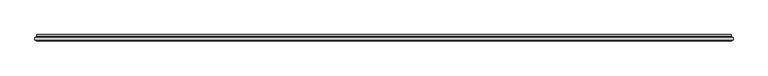
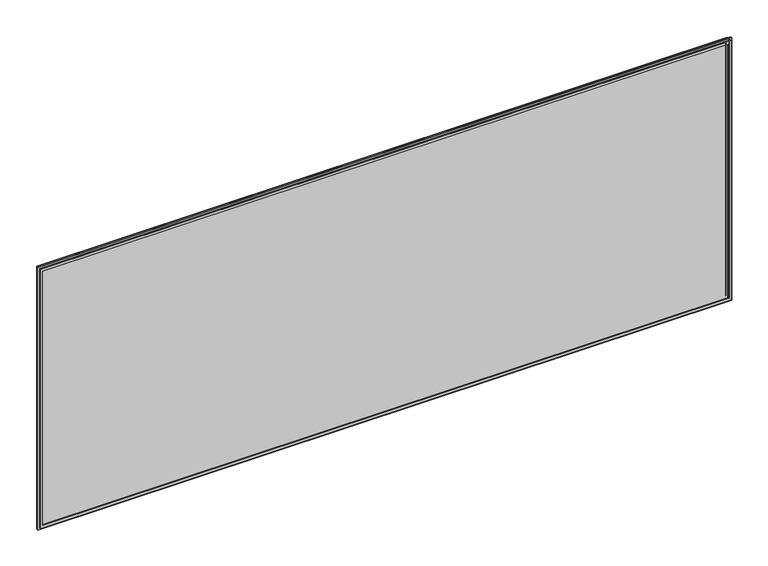
"""IFC4 building model written with IfcOpenShell, lengths in millimetres: plate geometry."""

import ifcopenshell
import ifcopenshell.guid

model = None  # the IFC model being written
_history = None  # IfcOwnerHistory: only IFC2X3 demands one
_inside = {}  # id of a spatial element -> (the spatial element, [elements in it])
_under = {}  # id of a project, library or spatial element -> (it, [spatial elements below it])
_declared = {}  # id of a project -> (the project, [libraries it declares])
_typed = {}  # id of a type object -> (the type object, [elements of that type])
_made_of = {}  # id of a material, layer set ... -> (it, [elements and type objects made of it])


def new_model(schema):
    """Start an empty IFC model of exactly this schema.

    Asked for "IFC4X3", IfcOpenShell would pick the latest addendum, in which some entities
    have other attributes; the version numbers below select the first issue.
    IFC2X3 requires an IfcOwnerHistory on every rooted entity: one is made here for all.
    """
    global model, _history
    if schema == "IFC4X3":
        model = ifcopenshell.file(schema_version=(4, 3, 0, 0))
    else:
        model = ifcopenshell.file(schema=schema)
    _inside.clear()
    _under.clear()
    _declared.clear()
    _typed.clear()
    _made_of.clear()
    _history = None
    if model.schema == "IFC2X3":
        org = make("IfcOrganization", Name="unknown")
        user = make(
            "IfcPersonAndOrganization",
            ThePerson=make("IfcPerson", FamilyName="unknown"),
            TheOrganization=org,
        )
        app = make(
            "IfcApplication",
            ApplicationDeveloper=org,
            Version="unknown",
            ApplicationFullName="unknown",
            ApplicationIdentifier="unknown",
        )
        _history = make(
            "IfcOwnerHistory",
            OwningUser=user,
            OwningApplication=app,
            ChangeAction="ADDED",
            CreationDate=0,
        )
    return model


def make(cls, **values):
    """One entity of the class cls with the attributes given. An attribute that is None is left unset."""
    return model.create_entity(
        cls, **{name: value for name, value in values.items() if value is not None}
    )


def rooted(cls, **values):
    """An entity with a GlobalId (a new one), such as an element, a storey or a relation."""
    return make(cls, GlobalId=ifcopenshell.guid.new(), OwnerHistory=_history, **values)


def si_unit(unit_type, name, prefix=None):
    """IfcSIUnit, for example si_unit("LENGTHUNIT", "METRE", prefix="MILLI")."""
    return make("IfcSIUnit", UnitType=unit_type, Prefix=prefix, Name=name)


def assignment(units):
    """IfcUnitAssignment: the units of a project."""
    return None if units is None else make("IfcUnitAssignment", Units=units)


def point(xyz):
    """IfcCartesianPoint."""
    return None if xyz is None else make("IfcCartesianPoint", Coordinates=xyz)


def direction(xyz):
    """IfcDirection."""
    return None if xyz is None else make("IfcDirection", DirectionRatios=xyz)


def frame(location, z_axis=None, x_axis=None):
    """IfcAxis2Placement3D, a coordinate frame: its origin and axes. An axis left out is left unset."""
    return make(
        "IfcAxis2Placement3D",
        Location=point(location),
        Axis=direction(z_axis),
        RefDirection=direction(x_axis),
    )


def origin():
    """The frame at (0, 0, 0) with its axes left unset."""
    return frame((0.0, 0.0, 0.0))


def place(relative_to, where):
    """IfcLocalPlacement: puts the frame where relative to a parent placement (None: the world)."""
    return make(
        "IfcLocalPlacement", PlacementRelTo=relative_to, RelativePlacement=where
    )


def context(
    kind, dimensions, precision=None, world=None, true_north=None, identifier=None
):
    """IfcGeometricRepresentationContext, for example the 3D "Model" context."""
    return make(
        "IfcGeometricRepresentationContext",
        ContextIdentifier=identifier,
        ContextType=kind,
        CoordinateSpaceDimension=dimensions,
        Precision=precision,
        WorldCoordinateSystem=world,
        TrueNorth=true_north,
    )


def project(units=None, contexts=None):
    """IfcProject with its units and contexts."""
    return rooted(
        "IfcProject",
        Name="project",
        RepresentationContexts=contexts,
        UnitsInContext=assignment(units),
    )


def spatial(cls, under=None, at=None, **own):
    """A site, building, storey or space (cls), placed at a placement, below another one or the project."""
    s = rooted(cls, ObjectPlacement=at, **own)
    if under is not None:
        _under.setdefault(under.id(), (under, []))[1].append(s)
    return s


def polyline(points):
    """IfcPolyline through the points."""
    return make("IfcPolyline", Points=[point(p) for p in points])


def ellipse_curve(where, semi_axis1, semi_axis2):
    """IfcEllipse in the frame where."""
    return make(
        "IfcEllipse", Position=where, SemiAxis1=semi_axis1, SemiAxis2=semi_axis2
    )


def outline(outer, holes=None, kind="AREA"):
    """IfcArbitraryClosedProfileDef: a profile drawn as a closed curve; with holes, ...WithVoids."""
    if holes is None:
        return make("IfcArbitraryClosedProfileDef", ProfileType=kind, OuterCurve=outer)
    return make(
        "IfcArbitraryProfileDefWithVoids",
        ProfileType=kind,
        OuterCurve=outer,
        InnerCurves=holes,
    )


def extrude(swept, where, along, depth):
    """IfcExtrudedAreaSolid: the profile swept, set in the frame where, extruded along a direction by depth."""
    return make(
        "IfcExtrudedAreaSolid",
        SweptArea=swept,
        Position=where,
        ExtrudedDirection=direction(along),
        Depth=depth,
    )


def shape(context_of_items, identifier, shape_type, items):
    """IfcShapeRepresentation: the items that make up one representation, for example the "Body"."""
    return make(
        "IfcShapeRepresentation",
        ContextOfItems=context_of_items,
        RepresentationIdentifier=identifier,
        RepresentationType=shape_type,
        Items=items,
    )


def source(mapping_origin, context_of_items, identifier, shape_type, items):
    """IfcRepresentationMap: a shape defined once, which mapped items show again and again."""
    return make(
        "IfcRepresentationMap",
        MappingOrigin=mapping_origin,
        MappedRepresentation=shape(context_of_items, identifier, shape_type, items),
    )


def transform(
    local_origin,
    x_axis=None,
    y_axis=None,
    z_axis=None,
    scale=None,
    scale2=None,
    scale3=None,
    uniform=True,
):
    """IfcCartesianTransformationOperator3D, or its non-uniform kind. x_axis, y_axis, z_axis: its Axis1, 2, 3."""
    if uniform:
        return make(
            "IfcCartesianTransformationOperator3D",
            Axis1=direction(x_axis),
            Axis2=direction(y_axis),
            LocalOrigin=point(local_origin),
            Scale=scale,
            Axis3=direction(z_axis),
        )
    return make(
        "IfcCartesianTransformationOperator3DnonUniform",
        Axis1=direction(x_axis),
        Axis2=direction(y_axis),
        LocalOrigin=point(local_origin),
        Scale=scale,
        Axis3=direction(z_axis),
        Scale2=scale2,
        Scale3=scale3,
    )


def mapped(mapping_source, mapping_target):
    """IfcMappedItem: shows the shape of a source again, moved by a transform."""
    return make(
        "IfcMappedItem", MappingSource=mapping_source, MappingTarget=mapping_target
    )


def made_of(thing, what):
    """Note that an element or type object is made of a material, layer set ...; save() writes the relation."""
    if what is not None:
        _made_of.setdefault(what.id(), (what, []))[1].append(thing)
    return thing


def element(
    cls,
    number,
    at=None,
    inside=None,
    cuts=None,
    type_object=None,
    material=None,
    context=None,
    identifier="Body",
    shape_type=None,
    held_by="IfcProductDefinitionShape",
    body=None,
    shapes=None,
    **own,
):
    """One element of the class cls, such as IfcWall. Its Tag is "e" and its number.

    at: its placement. inside: the storey or other place that contains it. cuts: it is an
    opening in that element (IfcRelVoidsElement). A single representation is given by context,
    identifier, shape_type and body (its items); several are given by shapes. held_by: the class
    of the entity that holds the representations. save() writes the other relations.
    """
    e = rooted(cls, Tag="e%d" % number, ObjectPlacement=at, **own)
    if body is not None:
        shapes = [shape(context, identifier, shape_type, body)]
    if shapes is not None:
        e.Representation = make(held_by, Representations=shapes)
    if inside is not None:
        _inside.setdefault(inside.id(), (inside, []))[1].append(e)
    if cuts is not None:
        rooted(
            "IfcRelVoidsElement", RelatingBuildingElement=cuts, RelatedOpeningElement=e
        )
    if type_object is not None:
        _typed.setdefault(type_object.id(), (type_object, []))[1].append(e)
    return made_of(e, material)


def aggregate(whole, parts):
    """IfcRelAggregates: a whole, such as a stair, and the parts it consists of."""
    return rooted("IfcRelAggregates", RelatingObject=whole, RelatedObjects=parts)


def save(model, path):
    """Write the relations noted so far, then the file.

    IfcRelAggregates (storeys below a building ...), IfcRelContainedInSpatialStructure (elements
    in a storey), IfcRelDefinesByType, IfcRelAssociatesMaterial and IfcRelDeclares: one each for
    every whole, place, type object, material and project.
    """
    for whole, parts in _under.values():
        aggregate(whole, parts)
    for where, things in _inside.values():
        rooted(
            "IfcRelContainedInSpatialStructure",
            RelatedElements=things,
            RelatingStructure=where,
        )
    for kind, things in _typed.values():
        rooted("IfcRelDefinesByType", RelatedObjects=things, RelatingType=kind)
    for what, things in _made_of.values():
        rooted("IfcRelAssociatesMaterial", RelatedObjects=things, RelatingMaterial=what)
    for by, libraries in _declared.values():
        rooted("IfcRelDeclares", RelatingContext=by, RelatedDefinitions=libraries)
    model.write(path)


def plane_surface(at):
    """IfcPlane: the flat surface through the origin of the frame at, square to its z axis."""
    return make("IfcPlane", Position=at)


def cylinder_surface(at, radius):
    """IfcCylindricalSurface: all points at the distance radius from the z axis of the frame at."""
    return make("IfcCylindricalSurface", Position=at, Radius=radius)


def revolved_surface(curve, axis_point, axis_direction):
    """IfcSurfaceOfRevolution: the curve turned about the line through axis_point along axis_direction."""
    return make(
        "IfcSurfaceOfRevolution",
        SweptCurve=make("IfcArbitraryOpenProfileDef", ProfileType="CURVE", Curve=curve),
        AxisPosition=make("IfcAxis1Placement", Location=point(axis_point), Axis=direction(axis_direction)),
    )


def advanced_brep(points, edges, surfaces, faces):
    """IfcAdvancedBrep: a solid bounded by faces that lie on surfaces and meet in shared edges.

    An edge is (start, end): straight between two places in points (the first is 0);
    or (start, end, curve); or (start, end, curve, False) where it runs against its curve.
    A face is (place in surfaces, loops), or (place, loops, False) where it looks against
    its surface's normal. A loop lists edges by number (the first is 1), with a minus sign
    where the edge is run from its end to its start. The first loop is the outer one.
    """
    corners = [point(p) for p in points]
    vertices = [make("IfcVertexPoint", VertexGeometry=c) for c in corners]
    made = []
    for start, end, *more in edges:
        made.append(
            make(
                "IfcEdgeCurve",
                EdgeStart=vertices[start],
                EdgeEnd=vertices[end],
                EdgeGeometry=more[0] if more else make("IfcPolyline", Points=[corners[start], corners[end]]),
                SameSense=more[1] if len(more) > 1 else True,
            )
        )
    hull = []
    for where, loops, *sense in faces:
        bounds = []
        for j, loop in enumerate(loops):
            ring = [make("IfcOrientedEdge", EdgeElement=made[abs(k) - 1], Orientation=k > 0) for k in loop]
            bounds.append(
                make(
                    "IfcFaceOuterBound" if j == 0 else "IfcFaceBound",
                    Bound=make("IfcEdgeLoop", EdgeList=ring),
                    Orientation=True,
                )
            )
        hull.append(make("IfcAdvancedFace", Bounds=bounds, FaceSurface=surfaces[where], SameSense=sense[0] if sense else True))
    return make("IfcAdvancedBrep", Outer=make("IfcClosedShell", CfsFaces=hull))


def plate_f22ee353(model_context):
    return source(origin(), model_context, "Body", "SolidModel", [
        advanced_brep(
        [(-1212.5000001, 4.8968153, 19.5), (1212.5000001, 4.8968153, 19.5), (1212.5000001, 11.0, 19.5), (-1212.5000001, 11.0, 19.5), (1212.5000001, 4.8968153, 969.5000002), (1212.5000001, 11.0, 969.5000002), (-1212.5000001, 4.8968153, 969.5000002), (-1212.5000001, 11.0, 969.5000002), (-1222.6737948, 1.0, 9.3262053), (1222.6737948, 1.0, 9.3262053), (1222.6737948, 1.0, 979.6737949), (-1222.6737948, 1.0, 979.6737949), (1212.2225564, 1.0, 19.7774437), (-1212.2225564, 1.0, 19.7774437), (-1212.2225564, 1.0, 969.2225565), (1212.2225564, 1.0, 969.2225565), (1221.5000001, 11.0, 10.5), (-1221.5000001, 11.0, 10.5), (-1221.5000001, 11.0, 978.5000002), (1221.5000001, 11.0, 978.5000002), (1221.5000001, 5.9174454, 10.5), (-1221.5000001, 5.9174454, 10.5), (1221.5000001, 5.9174454, 978.5000002), (-1221.5000001, 5.9174454, 978.5000002), (-1211.5765978, 3.2113072, 20.4234023), (1211.5765978, 3.2113072, 20.4234023), (-1223.0737753, 3.96339, 8.9262248), (1223.0737753, 3.96339, 8.9262248), (1211.5765978, 3.2113072, 968.5765979), (1223.0737753, 3.96339, 980.0737754), (-1211.5765978, 3.2113072, 968.5765979), (-1223.0737753, 3.96339, 980.0737754)],
        [
            (0, 1),
            (1, 2),
            (2, 3),
            (3, 0),
            (1, 4),
            (4, 5),
            (5, 2),
            (4, 6),
            (6, 7),
            (7, 5),
            (8, 9),
            (9, 10),
            (10, 11),
            (11, 8),
            (12, 13),
            (13, 14),
            (14, 15),
            (15, 12),
            (16, 17),
            (17, 18),
            (18, 19),
            (19, 16),
            (7, 3),
            (6, 0),
            (16, 20),
            (20, 21),
            (21, 17),
            (19, 22),
            (22, 20),
            (18, 23),
            (23, 22),
            (21, 23),
            (24, 25),
            (25, 1, ellipse_curve(frame((1210.5000001, 4.8968153, 21.5), z_axis=(0.7071067811865475, 0.0, 0.7071067811865475), x_axis=(0.7071067811865476, 0.0, -0.7071067811865474)), 2.8284271, 2.0)),
            (0, 24, ellipse_curve(frame((-1210.5000001, 4.8968153, 21.5), z_axis=(-0.7071067811865475, 0.0, 0.7071067811865475), x_axis=(0.7071067811865476, 0.0, 0.7071067811865474)), 2.8284271, 2.0)),
            (12, 25, ellipse_curve(frame((1212.2225564, 2.2000024, 19.7774437), z_axis=(-0.7071067811865475, 0.0, -0.7071067811865475), x_axis=(-0.7071067811865476, 0.0, 0.7071067811865474)), 1.6970563, 1.2)),
            (24, 13, ellipse_curve(frame((-1212.2225564, 2.2000024, 19.7774437), z_axis=(0.7071067811865475, 0.0, -0.7071067811865475), x_axis=(-0.7071067811865476, 0.0, -0.7071067811865474)), 1.6970563, 1.2)),
            (26, 27),
            (27, 9, ellipse_curve(frame((1222.7541068, 2.4978485, 9.2458934), z_axis=(-0.7071067811865475, 0.0, -0.7071067811865475), x_axis=(-0.7071067811865476, 0.0, 0.7071067811865474)), 2.1213203, 1.5)),
            (8, 26, ellipse_curve(frame((-1222.7541068, 2.4978485, 9.2458934), z_axis=(0.7071067811865475, 0.0, -0.7071067811865475), x_axis=(-0.7071067811865476, 0.0, -0.7071067811865474)), 2.1213203, 1.5)),
            (20, 27, ellipse_curve(frame((1223.5000001, 5.9174454, 8.5), z_axis=(0.7071067811865475, 0.0, 0.7071067811865475), x_axis=(0.7071067811865476, 0.0, -0.7071067811865474)), 2.8284271, 2.0)),
            (26, 21, ellipse_curve(frame((-1223.5000001, 5.9174454, 8.5), z_axis=(-0.7071067811865475, 0.0, 0.7071067811865475), x_axis=(0.7071067811865476, 0.0, 0.7071067811865474)), 2.8284271, 2.0)),
            (25, 28),
            (28, 4, ellipse_curve(frame((1210.5000001, 4.8968153, 967.5000002), z_axis=(-0.7071067811865475, 0.0, 0.7071067811865475), x_axis=(0.7071067811865474, 0.0, 0.7071067811865476)), 2.8284271, 2.0)),
            (15, 28, ellipse_curve(frame((1212.2225564, 2.2000024, 969.2225565), z_axis=(0.7071067811865475, 0.0, -0.7071067811865475), x_axis=(-0.7071067811865474, 0.0, -0.7071067811865476)), 1.6970563, 1.2)),
            (27, 29),
            (29, 10, ellipse_curve(frame((1222.7541068, 2.4978485, 979.7541069), z_axis=(0.7071067811865475, 0.0, -0.7071067811865475), x_axis=(-0.7071067811865474, 0.0, -0.7071067811865476)), 2.1213203, 1.5)),
            (22, 29, ellipse_curve(frame((1223.5000001, 5.9174454, 980.5000002), z_axis=(-0.7071067811865475, 0.0, 0.7071067811865475), x_axis=(0.7071067811865474, 0.0, 0.7071067811865476)), 2.8284271, 2.0)),
            (28, 30),
            (30, 6, ellipse_curve(frame((-1210.5000001, 4.8968153, 967.5000002), z_axis=(-0.7071067811865475, 0.0, -0.7071067811865475), x_axis=(-0.7071067811865476, 0.0, 0.7071067811865474)), 2.8284271, 2.0)),
            (14, 30, ellipse_curve(frame((-1212.2225564, 2.2000024, 969.2225565), z_axis=(0.7071067811865475, 0.0, 0.7071067811865475), x_axis=(0.7071067811865476, 0.0, -0.7071067811865474)), 1.6970563, 1.2)),
            (29, 31),
            (31, 11, ellipse_curve(frame((-1222.7541068, 2.4978485, 979.7541069), z_axis=(0.7071067811865475, 0.0, 0.7071067811865475), x_axis=(0.7071067811865476, 0.0, -0.7071067811865474)), 2.1213203, 1.5)),
            (23, 31, ellipse_curve(frame((-1223.5000001, 5.9174454, 980.5000002), z_axis=(-0.7071067811865475, 0.0, -0.7071067811865475), x_axis=(-0.7071067811865476, 0.0, 0.7071067811865474)), 2.8284271, 2.0)),
            (30, 24),
            (31, 26),
        ],
        [
            plane_surface(frame((-1212.5000001, 11.0, 19.5), z_axis=(0.0, 0.0, 1.0), x_axis=(1.0, 0.0, 0.0))),
            plane_surface(frame((1212.5000001, 11.0, 19.5), z_axis=(-1.0, 0.0, 0.0), x_axis=(0.0, 0.0, 1.0))),
            plane_surface(frame((1212.5000001, 11.0, 969.5000002), z_axis=(0.0, 0.0, -1.0), x_axis=(-1.0, 0.0, 0.0))),
            plane_surface(frame((-1212.2225564, 1.0, 969.2225565), z_axis=(0.0, -1.0, 0.0), x_axis=(0.0, 0.0, -1.0))),
            plane_surface(frame((-1221.5000001, 11.0, 978.5000002), z_axis=(0.0, 1.0, 0.0), x_axis=(0.0, 0.0, -1.0))),
            plane_surface(frame((-1212.5000001, 11.0, 969.5000002), z_axis=(1.0, 0.0, 0.0), x_axis=(0.0, 0.0, -1.0))),
            plane_surface(frame((-1221.5000001, 5.9174454, 10.5), z_axis=(0.0, 0.0, -1.0), x_axis=(1.0, 0.0, 0.0))),
            plane_surface(frame((1221.5000001, 5.9174454, 10.5), z_axis=(1.0, 0.0, 0.0), x_axis=(0.0, 0.0, 1.0))),
            plane_surface(frame((1221.5000001, 5.9174454, 978.5000002), z_axis=(0.0, 0.0, 1.0), x_axis=(-1.0, 0.0, 0.0))),
            plane_surface(frame((-1221.5000001, 5.9174454, 978.5000002), z_axis=(-1.0, 0.0, 0.0), x_axis=(0.0, 0.0, -1.0))),
            revolved_surface(polyline([(1212.5000001, 2.8968153, 21.5), (-1212.5000001, 2.8968153, 21.5)]), (-1232.0000001, 4.8968153, 21.5), (1.0, 0.0, 0.0)),
            cylinder_surface(frame((-1232.0000001, 2.2000024, 19.7774437), z_axis=(-1.0, 0.0, 0.0), x_axis=(0.0, -1.0, 0.0)), 1.2),
            cylinder_surface(frame((-1232.0000001, 2.4978485, 9.2458934), z_axis=(-1.0, 0.0, 0.0), x_axis=(0.0, -1.0, 0.0)), 1.5),
            revolved_surface(polyline([(1225.5000000825019, 3.9174454, 8.5), (-1225.5000000825019, 3.9174454, 8.5)]), (-1232.0000001, 5.9174454, 8.5), (1.0, 0.0, 0.0)),
            revolved_surface(polyline([(1210.5000001, 2.8968153, 969.5000002), (1210.5000001, 2.8968153, 19.5)]), (1210.5000001, 4.8968153, 0.0), (0.0, 0.0, 1.0)),
            cylinder_surface(frame((1212.2225564, 2.2000024, 0.0), z_axis=(0.0, 0.0, -1.0), x_axis=(0.0, -1.0, 0.0)), 1.2),
            cylinder_surface(frame((1222.7541068, 2.4978485, 0.0), z_axis=(0.0, 0.0, -1.0), x_axis=(0.0, -1.0, 0.0)), 1.5),
            revolved_surface(polyline([(1223.5000001, 3.9174454, 982.5000001825018), (1223.5000001, 3.9174454, 6.500000017498199)]), (1223.5000001, 5.9174454, 0.0), (0.0, 0.0, 1.0)),
            revolved_surface(polyline([(-1212.5000001, 2.8968153, 967.5000002), (1212.5000001, 2.8968153, 967.5000002)]), (1232.0000001, 4.8968153, 967.5000002), (-1.0, 0.0, 0.0)),
            cylinder_surface(frame((1232.0000001, 2.2000024, 969.2225565), z_axis=(1.0, 0.0, 0.0), x_axis=(0.0, -1.0, 0.0)), 1.2),
            cylinder_surface(frame((1232.0000001, 2.4978485, 979.7541069), z_axis=(1.0, 0.0, 0.0), x_axis=(0.0, -1.0, 0.0)), 1.5),
            revolved_surface(polyline([(-1225.5000000825019, 3.9174454, 980.5000002), (1225.5000000825019, 3.9174454, 980.5000002)]), (1232.0000001, 5.9174454, 980.5000002), (-1.0, 0.0, 0.0)),
            revolved_surface(polyline([(-1210.5000001, 2.8968153, 19.5), (-1210.5000001, 2.8968153, 969.5000002)]), (-1210.5000001, 4.8968153, 989.0000002), (0.0, 0.0, -1.0)),
            cylinder_surface(frame((-1212.2225564, 2.2000024, 989.0000002), z_axis=(0.0, 0.0, 1.0), x_axis=(0.0, -1.0, 0.0)), 1.2),
            cylinder_surface(frame((-1222.7541068, 2.4978485, 989.0000002), z_axis=(0.0, 0.0, 1.0), x_axis=(0.0, -1.0, 0.0)), 1.5),
            revolved_surface(polyline([(-1223.5000001, 3.9174454, 6.500000017498223), (-1223.5000001, 3.9174454, 982.5000001825018)]), (-1223.5000001, 5.9174454, 989.0000002), (0.0, 0.0, -1.0)),
        ],
        [
            (0, [[1, 2, 3, 4]]),
            (1, [[5, 6, 7, -2]]),
            (2, [[8, 9, 10, -6]]),
            (3, [[11, 12, 13, 14], [15, 16, 17, 18]]),
            (4, [[19, 20, 21, 22], [-3, -7, -10, 23]]),
            (5, [[24, -4, -23, -9]]),
            (6, [[-19, 25, 26, 27]]),
            (7, [[-22, 28, 29, -25]]),
            (8, [[-21, 30, 31, -28]]),
            (9, [[-20, -27, 32, -30]]),
            (10, [[33, 34, -1, 35]]),
            (11, [[-15, 36, -33, 37]]),
            (12, [[38, 39, -11, 40]]),
            (13, [[-26, 41, -38, 42]]),
            (14, [[43, 44, -5, -34]]),
            (15, [[-18, 45, -43, -36]]),
            (16, [[46, 47, -12, -39]]),
            (17, [[-29, 48, -46, -41]]),
            (18, [[49, 50, -8, -44]]),
            (19, [[-17, 51, -49, -45]]),
            (20, [[52, 53, -13, -47]]),
            (21, [[-31, 54, -52, -48]]),
            (22, [[55, -35, -24, -50]]),
            (23, [[-16, -37, -55, -51]]),
            (24, [[56, -40, -14, -53]]),
            (25, [[-32, -42, -56, -54]]),
        ],
    ),
        extrude(outline(polyline([(9.5, -1222.5000001), (9.5, 1222.5000001), (979.5000002, 1222.5000001), (979.5000002, -1222.5000001), (9.5, -1222.5000001)]), holes=[polyline([(19.5, 1212.5000001), (19.5, -1212.5000001), (969.5000002, -1212.5000001), (969.5000002, 1212.5000001), (19.5, 1212.5000001)])]), frame((0.0, -11.0, 0.0), z_axis=(0.0, 1.0, 0.0), x_axis=(0.0, 0.0, 1.0)), (0.0, 0.0, 1.0), 4.0),
        extrude(outline(polyline([(-1228.0000001, -7.0), (-1228.0000001, 1.0), (1228.0000001, 1.0), (1228.0000001, -7.0), (-1228.0000001, -7.0)])), frame((0.0, 0.0, 4.0), z_axis=(0.0, 0.0, 1.0), x_axis=(1.0, 0.0, 0.0)), (0.0, 0.0, 1.0), 981.0000002),
    ])


if __name__ == "__main__":
    model = new_model("IFC4")
    model_context = context("Model", 3, world=origin())
    ifc_project = project(units=[si_unit("LENGTHUNIT", "METRE", prefix="MILLI")], contexts=[model_context])
    site = spatial("IfcSite", under=ifc_project)
    building = spatial("IfcBuilding", under=site)
    placement = place(None, origin())
    plate_shape = plate_f22ee353(model_context)
    element("IfcPlate", 1, at=placement, inside=building, context=model_context, shape_type="MappedRepresentation", body=[
        mapped(plate_shape, transform((0.0, 0.0, 0.0), x_axis=(1.0, 0.0, 0.0), y_axis=(0.0, 1.0, 0.0), z_axis=(0.0, 0.0, 1.0))),
    ])
    save(model, "model.ifc")
